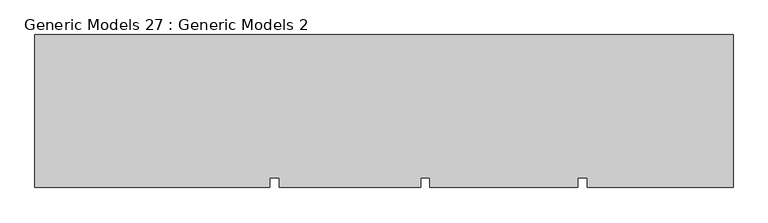
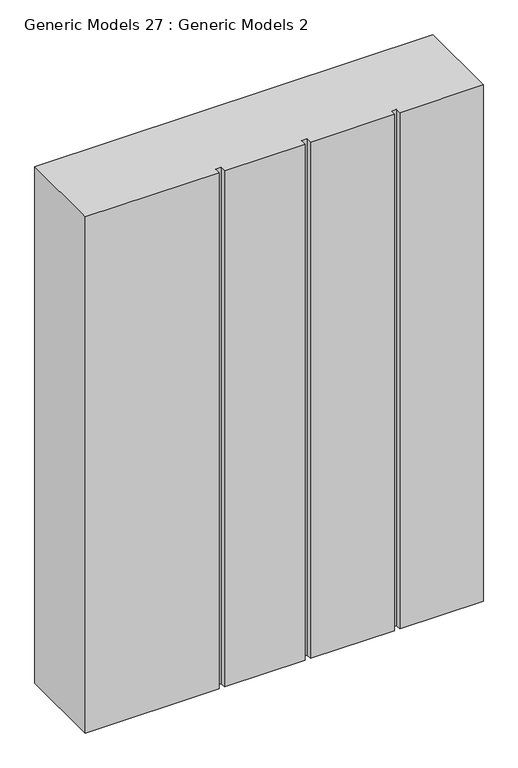
"""IFC4 building model written with IfcOpenShell, lengths in millimetres: proxy geometry, Generic Models 27 : Generic Models 2."""

from ifc_helpers import new_model, si_unit, frame, origin, place, context, project, spatial, polyline, outline, extrude, source, transform, mapped, element, save


def generic_models_27_generic_models_2_9be415ba(model_context):
    return source(origin(), model_context, "Body", "SweptSolid", [
        extrude(outline(polyline([(2231.7164352, -19881.5060032), (2231.7164352, -20368.5482183), (1767.3070227, -20368.5482183), (1767.3070227, -20336.9057177), (1737.2735899, -20336.9057177), (1737.2735899, -20368.5482183), (1267.3070227, -20368.5482183), (1267.3070227, -20336.9057177), (1237.2735899, -20336.9057177), (1237.2735899, -20368.5482183), (787.3070227, -20368.5482183), (787.3070227, -20336.9057177), (757.2735899, -20336.9057177), (757.2735899, -20368.5482183), (10.2901007, -20368.5482183), (10.2901007, -19881.5060032), (2231.7164352, -19881.5060032)])), frame((0.0, 0.0, 12000.0), z_axis=(0.0, 0.0, 1.0), x_axis=(1.0, 0.0, 0.0)), (0.0, 0.0, 1.0), 3044.7067261),
    ])


if __name__ == "__main__":
    model = new_model("IFC4")
    model_context = context("Model", 3, world=origin())
    ifc_project = project(units=[si_unit("LENGTHUNIT", "METRE", prefix="MILLI")], contexts=[model_context])
    site = spatial("IfcSite", under=ifc_project)
    building = spatial("IfcBuilding", under=site)
    placement = place(None, origin())
    generic_models_27_generic_models_2_shape = generic_models_27_generic_models_2_9be415ba(model_context)
    element("IfcBuildingElementProxy", 1, Name="Generic Models 27 : Generic Models 2", ObjectType="Generic Models 27 : Generic Models 2", at=placement, inside=building, context=model_context, shape_type="MappedRepresentation", body=[
        mapped(generic_models_27_generic_models_2_shape, transform((0.0, 0.0, 0.0), x_axis=(1.0, 0.0, 0.0), y_axis=(0.0, 1.0, 0.0), z_axis=(0.0, 0.0, 1.0))),
    ])
    save(model, "model.ifc")
